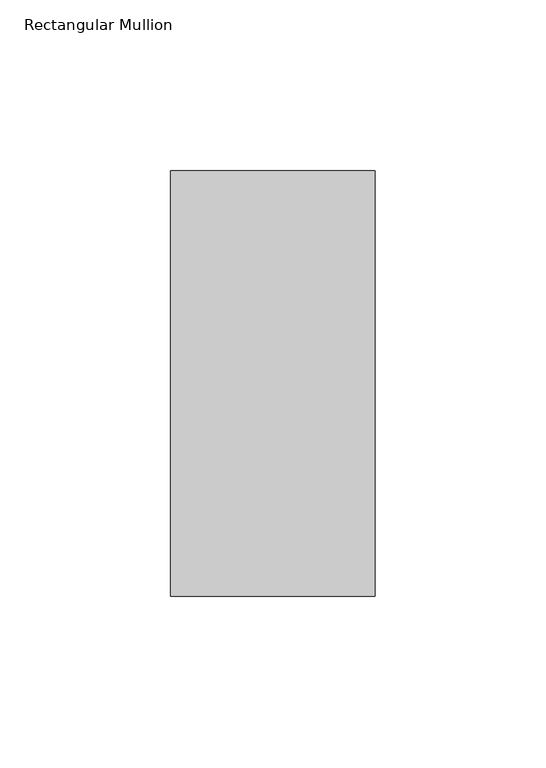
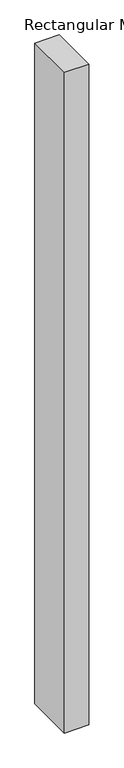
"""IFC4 building model written with IfcOpenShell, lengths in millimetres: member geometry, Rectangular Mullion."""

import ifcopenshell
import ifcopenshell.guid

model = None  # the IFC model being written
_history = None  # IfcOwnerHistory: only IFC2X3 demands one
_inside = {}  # id of a spatial element -> (the spatial element, [elements in it])
_under = {}  # id of a project, library or spatial element -> (it, [spatial elements below it])
_declared = {}  # id of a project -> (the project, [libraries it declares])
_typed = {}  # id of a type object -> (the type object, [elements of that type])
_made_of = {}  # id of a material, layer set ... -> (it, [elements and type objects made of it])


def new_model(schema):
    """Start an empty IFC model of exactly this schema.

    Asked for "IFC4X3", IfcOpenShell would pick the latest addendum, in which some entities
    have other attributes; the version numbers below select the first issue.
    IFC2X3 requires an IfcOwnerHistory on every rooted entity: one is made here for all.
    """
    global model, _history
    if schema == "IFC4X3":
        model = ifcopenshell.file(schema_version=(4, 3, 0, 0))
    else:
        model = ifcopenshell.file(schema=schema)
    _inside.clear()
    _under.clear()
    _declared.clear()
    _typed.clear()
    _made_of.clear()
    _history = None
    if model.schema == "IFC2X3":
        org = make("IfcOrganization", Name="unknown")
        user = make(
            "IfcPersonAndOrganization",
            ThePerson=make("IfcPerson", FamilyName="unknown"),
            TheOrganization=org,
        )
        app = make(
            "IfcApplication",
            ApplicationDeveloper=org,
            Version="unknown",
            ApplicationFullName="unknown",
            ApplicationIdentifier="unknown",
        )
        _history = make(
            "IfcOwnerHistory",
            OwningUser=user,
            OwningApplication=app,
            ChangeAction="ADDED",
            CreationDate=0,
        )
    return model


def make(cls, **values):
    """One entity of the class cls with the attributes given. An attribute that is None is left unset."""
    return model.create_entity(
        cls, **{name: value for name, value in values.items() if value is not None}
    )


def rooted(cls, **values):
    """An entity with a GlobalId (a new one), such as an element, a storey or a relation."""
    return make(cls, GlobalId=ifcopenshell.guid.new(), OwnerHistory=_history, **values)


def si_unit(unit_type, name, prefix=None):
    """IfcSIUnit, for example si_unit("LENGTHUNIT", "METRE", prefix="MILLI")."""
    return make("IfcSIUnit", UnitType=unit_type, Prefix=prefix, Name=name)


def assignment(units):
    """IfcUnitAssignment: the units of a project."""
    return None if units is None else make("IfcUnitAssignment", Units=units)


def point(xyz):
    """IfcCartesianPoint."""
    return None if xyz is None else make("IfcCartesianPoint", Coordinates=xyz)


def direction(xyz):
    """IfcDirection."""
    return None if xyz is None else make("IfcDirection", DirectionRatios=xyz)


def frame(location, z_axis=None, x_axis=None):
    """IfcAxis2Placement3D, a coordinate frame: its origin and axes. An axis left out is left unset."""
    return make(
        "IfcAxis2Placement3D",
        Location=point(location),
        Axis=direction(z_axis),
        RefDirection=direction(x_axis),
    )


def origin():
    """The frame at (0, 0, 0) with its axes left unset."""
    return frame((0.0, 0.0, 0.0))


def place(relative_to, where):
    """IfcLocalPlacement: puts the frame where relative to a parent placement (None: the world)."""
    return make(
        "IfcLocalPlacement", PlacementRelTo=relative_to, RelativePlacement=where
    )


def context(
    kind, dimensions, precision=None, world=None, true_north=None, identifier=None
):
    """IfcGeometricRepresentationContext, for example the 3D "Model" context."""
    return make(
        "IfcGeometricRepresentationContext",
        ContextIdentifier=identifier,
        ContextType=kind,
        CoordinateSpaceDimension=dimensions,
        Precision=precision,
        WorldCoordinateSystem=world,
        TrueNorth=true_north,
    )


def project(units=None, contexts=None):
    """IfcProject with its units and contexts."""
    return rooted(
        "IfcProject",
        Name="project",
        RepresentationContexts=contexts,
        UnitsInContext=assignment(units),
    )


def spatial(cls, under=None, at=None, **own):
    """A site, building, storey or space (cls), placed at a placement, below another one or the project."""
    s = rooted(cls, ObjectPlacement=at, **own)
    if under is not None:
        _under.setdefault(under.id(), (under, []))[1].append(s)
    return s


def polyline(points):
    """IfcPolyline through the points."""
    return make("IfcPolyline", Points=[point(p) for p in points])


def outline(outer, holes=None, kind="AREA"):
    """IfcArbitraryClosedProfileDef: a profile drawn as a closed curve; with holes, ...WithVoids."""
    if holes is None:
        return make("IfcArbitraryClosedProfileDef", ProfileType=kind, OuterCurve=outer)
    return make(
        "IfcArbitraryProfileDefWithVoids",
        ProfileType=kind,
        OuterCurve=outer,
        InnerCurves=holes,
    )


def extrude(swept, where, along, depth):
    """IfcExtrudedAreaSolid: the profile swept, set in the frame where, extruded along a direction by depth."""
    return make(
        "IfcExtrudedAreaSolid",
        SweptArea=swept,
        Position=where,
        ExtrudedDirection=direction(along),
        Depth=depth,
    )


def shape(context_of_items, identifier, shape_type, items):
    """IfcShapeRepresentation: the items that make up one representation, for example the "Body"."""
    return make(
        "IfcShapeRepresentation",
        ContextOfItems=context_of_items,
        RepresentationIdentifier=identifier,
        RepresentationType=shape_type,
        Items=items,
    )


def source(mapping_origin, context_of_items, identifier, shape_type, items):
    """IfcRepresentationMap: a shape defined once, which mapped items show again and again."""
    return make(
        "IfcRepresentationMap",
        MappingOrigin=mapping_origin,
        MappedRepresentation=shape(context_of_items, identifier, shape_type, items),
    )


def transform(
    local_origin,
    x_axis=None,
    y_axis=None,
    z_axis=None,
    scale=None,
    scale2=None,
    scale3=None,
    uniform=True,
):
    """IfcCartesianTransformationOperator3D, or its non-uniform kind. x_axis, y_axis, z_axis: its Axis1, 2, 3."""
    if uniform:
        return make(
            "IfcCartesianTransformationOperator3D",
            Axis1=direction(x_axis),
            Axis2=direction(y_axis),
            LocalOrigin=point(local_origin),
            Scale=scale,
            Axis3=direction(z_axis),
        )
    return make(
        "IfcCartesianTransformationOperator3DnonUniform",
        Axis1=direction(x_axis),
        Axis2=direction(y_axis),
        LocalOrigin=point(local_origin),
        Scale=scale,
        Axis3=direction(z_axis),
        Scale2=scale2,
        Scale3=scale3,
    )


def mapped(mapping_source, mapping_target):
    """IfcMappedItem: shows the shape of a source again, moved by a transform."""
    return make(
        "IfcMappedItem", MappingSource=mapping_source, MappingTarget=mapping_target
    )


def made_of(thing, what):
    """Note that an element or type object is made of a material, layer set ...; save() writes the relation."""
    if what is not None:
        _made_of.setdefault(what.id(), (what, []))[1].append(thing)
    return thing


def element(
    cls,
    number,
    at=None,
    inside=None,
    cuts=None,
    type_object=None,
    material=None,
    context=None,
    identifier="Body",
    shape_type=None,
    held_by="IfcProductDefinitionShape",
    body=None,
    shapes=None,
    **own,
):
    """One element of the class cls, such as IfcWall. Its Tag is "e" and its number.

    at: its placement. inside: the storey or other place that contains it. cuts: it is an
    opening in that element (IfcRelVoidsElement). A single representation is given by context,
    identifier, shape_type and body (its items); several are given by shapes. held_by: the class
    of the entity that holds the representations. save() writes the other relations.
    """
    e = rooted(cls, Tag="e%d" % number, ObjectPlacement=at, **own)
    if body is not None:
        shapes = [shape(context, identifier, shape_type, body)]
    if shapes is not None:
        e.Representation = make(held_by, Representations=shapes)
    if inside is not None:
        _inside.setdefault(inside.id(), (inside, []))[1].append(e)
    if cuts is not None:
        rooted(
            "IfcRelVoidsElement", RelatingBuildingElement=cuts, RelatedOpeningElement=e
        )
    if type_object is not None:
        _typed.setdefault(type_object.id(), (type_object, []))[1].append(e)
    return made_of(e, material)


def aggregate(whole, parts):
    """IfcRelAggregates: a whole, such as a stair, and the parts it consists of."""
    return rooted("IfcRelAggregates", RelatingObject=whole, RelatedObjects=parts)


def save(model, path):
    """Write the relations noted so far, then the file.

    IfcRelAggregates (storeys below a building ...), IfcRelContainedInSpatialStructure (elements
    in a storey), IfcRelDefinesByType, IfcRelAssociatesMaterial and IfcRelDeclares: one each for
    every whole, place, type object, material and project.
    """
    for whole, parts in _under.values():
        aggregate(whole, parts)
    for where, things in _inside.values():
        rooted(
            "IfcRelContainedInSpatialStructure",
            RelatedElements=things,
            RelatingStructure=where,
        )
    for kind, things in _typed.values():
        rooted("IfcRelDefinesByType", RelatedObjects=things, RelatingType=kind)
    for what, things in _made_of.values():
        rooted("IfcRelAssociatesMaterial", RelatedObjects=things, RelatingMaterial=what)
    for by, libraries in _declared.values():
        rooted("IfcRelDeclares", RelatingContext=by, RelatedDefinitions=libraries)
    model.write(path)


def rectangular_mullion_dccbc833(model_context):
    return source(origin(), model_context, "Body", "SweptSolid", [
        extrude(outline(polyline([(30.0, 77.84375), (30.0, -46.84375), (-30.0, -46.84375), (-30.0, 77.84375), (30.0, 77.84375)])), frame((0.0, 0.0, -1708.8912252), z_axis=(0.0, 0.0, 1.0), x_axis=(1.0, 0.0, 0.0)), (0.0, 0.0, 1.0), 1708.8912252),
    ])


if __name__ == "__main__":
    model = new_model("IFC4")
    model_context = context("Model", 3, world=origin())
    ifc_project = project(units=[si_unit("LENGTHUNIT", "METRE", prefix="MILLI")], contexts=[model_context])
    site = spatial("IfcSite", under=ifc_project)
    building = spatial("IfcBuilding", under=site)
    placement = place(None, origin())
    rectangular_mullion_shape = rectangular_mullion_dccbc833(model_context)
    element("IfcMember", 1, ObjectType="Rectangular Mullion", at=placement, inside=building, context=model_context, shape_type="MappedRepresentation", body=[
        mapped(rectangular_mullion_shape, transform((0.0, 0.0, 0.0), x_axis=(1.0, 0.0, 0.0), y_axis=(0.0, 1.0, 0.0), z_axis=(0.0, 0.0, 1.0))),
    ])
    save(model, "model.ifc")
